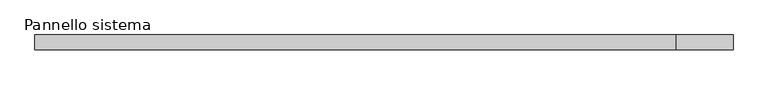
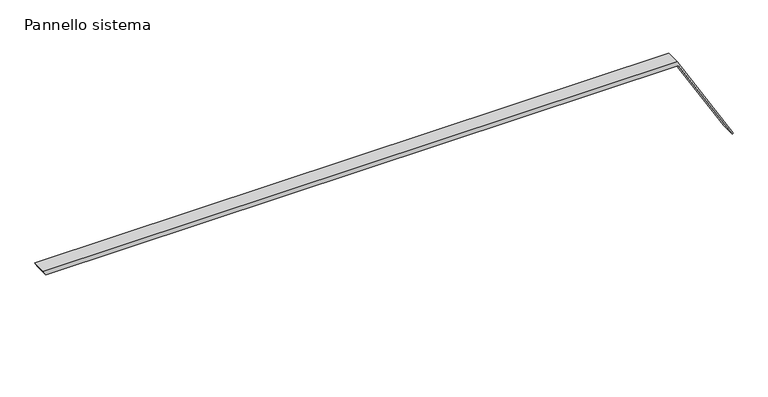
"""IFC4 building model written with IfcOpenShell, lengths in millimetres: plate geometry, Pannello sistema."""

from ifc_helpers import new_model, si_unit, frame, origin, place, context, project, spatial, polyline, outline, extrude, source, transform, mapped, element, save


def pannello_sistema_ed29700c(model_context):
    return source(origin(), model_context, "Body", "SweptSolid", [
        extrude(outline(polyline([(0.0, 585.7397223), (0.9864343, 587.4143554), (163.0760058, 491.9363011), (163.0760058, -587.4143554), (155.6077265, -583.0152027), (155.6077265, 494.0797665), (0.0, 585.7397223)])), frame((0.0, -12.5, 0.0), z_axis=(0.0, 1.0, 0.0), x_axis=(0.0, 0.0, 1.0)), (0.0, 0.0, 1.0), 25.0),
    ])


if __name__ == "__main__":
    model = new_model("IFC4")
    model_context = context("Model", 3, world=origin())
    ifc_project = project(units=[si_unit("LENGTHUNIT", "METRE", prefix="MILLI")], contexts=[model_context])
    site = spatial("IfcSite", under=ifc_project)
    building = spatial("IfcBuilding", under=site)
    placement = place(None, origin())
    pannello_sistema_shape = pannello_sistema_ed29700c(model_context)
    element("IfcPlate", 1, ObjectType="Pannello sistema", at=placement, inside=building, context=model_context, shape_type="MappedRepresentation", body=[
        mapped(pannello_sistema_shape, transform((0.0, 0.0, 0.0), x_axis=(1.0, 0.0, 0.0), y_axis=(0.0, 1.0, 0.0), z_axis=(0.0, 0.0, 1.0))),
    ])
    save(model, "model.ifc")
